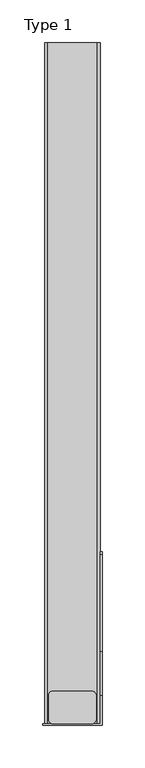
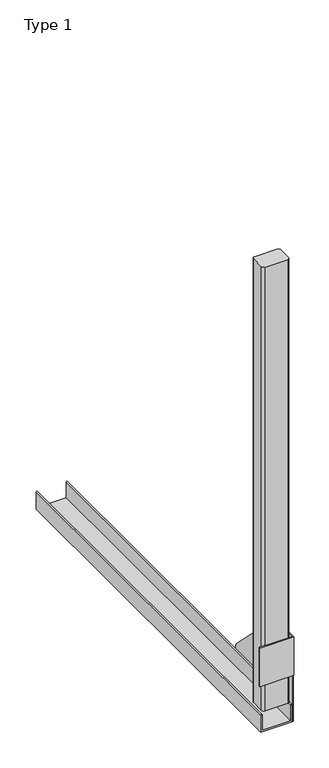
"""IFC4 building model written with IfcOpenShell, lengths in millimetres: railing geometry, Type 1."""

from ifc_helpers import new_model, si_unit, point, frame, frame_2d, origin, place, context, project, spatial, polyline, circle_curve, trimmed, segment, composite_curve, outline, extrude, source, transform, mapped, element, save
from ifc_brep_helpers import plane_surface, cylinder_surface, revolved_surface, advanced_brep


def type_1_41849694(model_context):
    return source(origin(), model_context, "Body", "SolidModel", [
        advanced_brep(
        [(60.5, -800.0, 185.0), (60.5, -767.1999123, 185.0), (60.5, -715.6668272, 163.6542972), (60.5, -601.4657725, 49.4532425), (60.5, -598.1818182, 41.5250755), (60.5, -598.1818182, 0.0), (60.5, -800.0, 0.0), (60.5, -800.0, 100.9768514), (60.5, -711.3075507, 93.0361974), (60.5, -700.0954295, 93.0361974), (60.5, -778.6969697, 171.6377376), (60.5, -784.3030303, 166.031677), (60.5, -784.3030303, 143.5676849), (60.5, -773.0909091, 143.5676849), (60.5, -773.0909091, 157.7293746), (60.5, -770.5995631, 159.9373618), (63.0, -800.0, 0.0), (63.0, -598.1818182, 0.0), (63.0, -598.1818182, 41.5250755), (63.0, -601.4657725, 49.4532425), (63.0, -715.6668272, 163.6542972), (63.0, -767.1999123, 185.0), (63.0, -802.0, 185.0), (63.0, -802.0, 100.9768514), (63.0, -800.0, 100.9768514), (63.0, -711.3075507, 93.0361974), (63.0, -770.5995631, 159.9373618), (63.0, -773.0909091, 157.7293746), (63.0, -773.0909091, 143.5676849), (63.0, -784.3030303, 143.5676849), (63.0, -784.3030303, 166.031677), (63.0, -778.6969697, 171.6377376), (63.0, -700.0954295, 93.0361974), (-7.0, -800.0, 185.0), (-7.0, -802.0, 185.0), (-7.0, -802.0, 100.9768514), (-7.0, -800.0, 100.9768514)],
        [
            (0, 1),
            (1, 2, circle_curve(frame((60.5, -767.1999123, 112.1212121), z_axis=(-1.0, 0.0, 0.0), x_axis=(0.0, -1.0, 0.0)), 72.8787879)),
            (2, 3),
            (3, 4, circle_curve(frame((60.5, -609.3939394, 41.5250755), z_axis=(-1.0, 0.0, 0.0), x_axis=(0.0, -1.0, 0.0)), 11.2121212)),
            (4, 5),
            (5, 6),
            (6, 7),
            (7, 0),
            (8, 9, circle_curve(frame((60.5, -705.7014901, 93.0361974), z_axis=(1.0, 0.0, 0.0), x_axis=(0.0, -1.0, 0.0)), 5.6060606)),
            (9, 10, circle_curve(frame((60.5, -778.6969697, 93.0361974), z_axis=(1.0, 0.0, 0.0), x_axis=(0.0, -1.0, 0.0)), 78.6015402)),
            (10, 11, circle_curve(frame((60.5, -778.6969697, 166.031677), z_axis=(1.0, 0.0, 0.0), x_axis=(0.0, -1.0, 0.0)), 5.6060606)),
            (11, 12),
            (12, 13, circle_curve(frame((60.5, -778.6969697, 143.5676849), z_axis=(1.0, 0.0, 0.0), x_axis=(0.0, -1.0, 0.0)), 5.6060606)),
            (13, 14),
            (14, 15, circle_curve(frame((60.5, -770.8668077, 157.7293746), z_axis=(-1.0, 0.0, 0.0), x_axis=(0.0, -1.0, 0.0)), 2.2241014)),
            (15, 8, circle_curve(frame((60.5, -778.6969697, 93.0361974), z_axis=(-1.0, 0.0, 0.0), x_axis=(0.0, -1.0, 0.0)), 67.389419)),
            (16, 17),
            (17, 18),
            (18, 19, circle_curve(frame((63.0, -609.3939394, 41.5250755), z_axis=(1.0, 0.0, 0.0), x_axis=(0.0, -1.0, 0.0)), 11.2121212)),
            (19, 20),
            (20, 21, circle_curve(frame((63.0, -767.1999123, 112.1212121), z_axis=(1.0, 0.0, 0.0), x_axis=(0.0, -1.0, 0.0)), 72.8787879)),
            (21, 22),
            (22, 23),
            (23, 24),
            (24, 16),
            (25, 26, circle_curve(frame((63.0, -778.6969697, 93.0361974), z_axis=(1.0, 0.0, 0.0), x_axis=(0.0, -1.0, 0.0)), 67.389419)),
            (26, 27, circle_curve(frame((63.0, -770.8668077, 157.7293746), z_axis=(1.0, 0.0, 0.0), x_axis=(0.0, -1.0, 0.0)), 2.2241014)),
            (27, 28),
            (28, 29, circle_curve(frame((63.0, -778.6969697, 143.5676849), z_axis=(-1.0, 0.0, 0.0), x_axis=(0.0, -1.0, 0.0)), 5.6060606)),
            (29, 30),
            (30, 31, circle_curve(frame((63.0, -778.6969697, 166.031677), z_axis=(-1.0, 0.0, 0.0), x_axis=(0.0, -1.0, 0.0)), 5.6060606)),
            (31, 32, circle_curve(frame((63.0, -778.6969697, 93.0361974), z_axis=(-1.0, 0.0, 0.0), x_axis=(0.0, -1.0, 0.0)), 78.6015402)),
            (32, 25, circle_curve(frame((63.0, -705.7014901, 93.0361974), z_axis=(-1.0, 0.0, 0.0), x_axis=(0.0, -1.0, 0.0)), 5.6060606)),
            (0, 33),
            (33, 34),
            (34, 22),
            (21, 1),
            (20, 2),
            (19, 3),
            (18, 4),
            (17, 5),
            (16, 6),
            (24, 7),
            (8, 25),
            (32, 9),
            (31, 10),
            (30, 11),
            (15, 26),
            (29, 12),
            (28, 13),
            (27, 14),
            (34, 35),
            (35, 23),
            (36, 33),
            (7, 36),
            (36, 35),
        ],
        [
            plane_surface(frame((60.5, -798.2270223, 185.0), z_axis=(-1.0, 0.0, 0.0), x_axis=(0.0, 1.0, 0.0))),
            plane_surface(frame((63.0, -798.2270223, 185.0), z_axis=(1.0, 0.0, 0.0), x_axis=(0.0, -1.0, 0.0))),
            plane_surface(frame((60.5, -800.0, 185.0), z_axis=(0.0, 0.0, 1.0), x_axis=(1.0, 0.0, 0.0))),
            cylinder_surface(frame((63.0, -767.1999123, 112.1212121), z_axis=(-1.0, 0.0, 0.0), x_axis=(0.0, -1.0, 0.0)), 72.8787879),
            plane_surface(frame((60.5, -715.6668272, 163.6542972), z_axis=(0.0, 0.7071067811865421, 0.7071067811865529), x_axis=(1.0, 0.0, 0.0))),
            cylinder_surface(frame((63.0, -609.3939394, 41.5250755), z_axis=(-1.0, 0.0, 0.0), x_axis=(0.0, -1.0, 0.0)), 11.2121212),
            plane_surface(frame((60.5, -598.1818182, 41.5250755), z_axis=(0.0, 1.0, 0.0), x_axis=(1.0, 0.0, 0.0))),
            plane_surface(frame((60.5, -598.1818182, 0.0), z_axis=(0.0, 0.0, -1.0), x_axis=(1.0, 0.0, 0.0))),
            plane_surface(frame((60.5, -800.0, 0.0), z_axis=(0.0, -1.0, 0.0), x_axis=(1.0, 0.0, 0.0))),
            revolved_surface(polyline([(63.0, -711.3075507, 93.0361974), (60.5, -711.3075507, 93.0361974)]), (63.0, -705.7014901, 93.0361974), (1.0, 0.0, 0.0)),
            revolved_surface(polyline([(63.0, -857.2985099, 93.0361974), (60.5, -857.2985099, 93.0361974)]), (63.0, -778.6969697, 93.0361974), (1.0, 0.0, 0.0)),
            revolved_surface(polyline([(63.0, -784.3030302999999, 166.031677), (60.5, -784.3030302999999, 166.031677)]), (63.0, -778.6969697, 166.031677), (1.0, 0.0, 0.0)),
            cylinder_surface(frame((63.0, -778.6969697, 93.0361974), z_axis=(-1.0, 0.0, 0.0), x_axis=(0.0, -1.0, 0.0)), 67.389419),
            plane_surface(frame((60.5, -784.3030303, 166.031677), z_axis=(0.0, 1.0, 0.0), x_axis=(1.0, 0.0, 0.0))),
            revolved_surface(polyline([(63.0, -784.3030302999999, 143.5676849), (60.5, -784.3030302999999, 143.5676849)]), (63.0, -778.6969697, 143.5676849), (1.0, 0.0, 0.0)),
            plane_surface(frame((60.5, -773.0909091, 143.5676849), z_axis=(0.0, -1.0, 0.0), x_axis=(1.0, 0.0, 0.0))),
            cylinder_surface(frame((63.0, -770.8668077, 157.7293746), z_axis=(-1.0, 0.0, 0.0), x_axis=(0.0, -1.0, 0.0)), 2.2241014),
            plane_surface(frame((-7.0, -802.0, 185.0), z_axis=(0.0, -1.0, 0.0), x_axis=(-1.0, 0.0, 0.0))),
            plane_surface(frame((-7.0, -800.0, 185.0), z_axis=(0.0, 1.0, 0.0), x_axis=(1.0, 0.0, 0.0))),
            plane_surface(frame((-7.0, -802.0, 185.0), z_axis=(-1.0, 0.0, 0.0), x_axis=(0.0, 1.0, 0.0))),
            plane_surface(frame((-7.0, -802.0, 100.9768514), z_axis=(0.0, 0.0, -1.0), x_axis=(0.0, 1.0, 0.0))),
        ],
        [
            (0, [[1, 2, 3, 4, 5, 6, 7, 8], [9, 10, 11, 12, 13, 14, 15, 16]]),
            (1, [[17, 18, 19, 20, 21, 22, 23, 24, 25], [26, 27, 28, 29, 30, 31, 32, 33]]),
            (2, [[-1, 34, 35, 36, -22, 37]]),
            (3, [[-2, -37, -21, 38]]),
            (4, [[-3, -38, -20, 39]]),
            (5, [[-4, -39, -19, 40]]),
            (6, [[-5, -40, -18, 41]]),
            (7, [[-6, -41, -17, 42]]),
            (8, [[-42, -25, 43, -7]]),
            (9, [[-9, 44, -33, 45]]),
            (10, [[-10, -45, -32, 46]]),
            (11, [[-11, -46, -31, 47]]),
            (12, [[-16, 48, -26, -44]]),
            (13, [[-12, -47, -30, 49]]),
            (14, [[-13, -49, -29, 50]]),
            (15, [[-14, -50, -28, 51]]),
            (16, [[-15, -51, -27, -48]]),
            (17, [[-36, 52, 53, -23]]),
            (18, [[54, -34, -8, 55]]),
            (19, [[-52, -35, -54, 56]]),
            (20, [[-53, -56, -55, -43, -24]]),
        ],
    ),
        extrude(outline(composite_curve([segment(trimmed(circle_curve(frame_2d((5.0, -795.0)), 5.0), [point((5.0, -800.0))], [point((0.0, -795.0))], False, "CARTESIAN"), True, "CONTINUOUS"), segment(polyline([(0.0, -795.0), (0.0, -767.0)]), True, "CONTINUOUS"), segment(trimmed(circle_curve(frame_2d((5.0, -767.0)), 5.0), [point((0.0, -767.0))], [point((5.0, -762.0))], False, "CARTESIAN"), True, "CONTINUOUS"), segment(polyline([(5.0, -762.0), (51.0, -762.0)]), True, "CONTINUOUS"), segment(trimmed(circle_curve(frame_2d((51.0, -767.0)), 5.0), [point((51.0, -762.0))], [point((56.0, -767.0))], False, "CARTESIAN"), True, "CONTINUOUS"), segment(polyline([(56.0, -767.0), (56.0, -795.0)]), True, "CONTINUOUS"), segment(trimmed(circle_curve(frame_2d((51.0, -795.0)), 5.0), [point((56.0, -795.0))], [point((51.0, -800.0))], False, "CARTESIAN"), True, "CONTINUOUS"), segment(polyline([(51.0, -800.0), (5.0, -800.0)]), True, "CONTINUOUS")], self_intersect=False)), frame((0.0, 0.0, 43.0), z_axis=(0.0, 0.0, 1.0), x_axis=(1.0, 0.0, 0.0)), (0.0, 0.0, 1.0), 965.0),
        extrude(outline(composite_curve([segment(polyline([(0.0, 60.5), (36.5, 60.5)]), True, "CONTINUOUS"), segment(trimmed(circle_curve(frame_2d((36.5, 59.0)), 1.5), [point((36.5, 60.5))], [point((36.5, 57.5))], False, "CARTESIAN"), True, "CONTINUOUS"), segment(polyline([(36.5, 57.5), (3.0, 57.5), (3.0, -1.5), (36.5, -1.5)]), True, "CONTINUOUS"), segment(trimmed(circle_curve(frame_2d((36.5, -3.0)), 1.5), [point((36.5, -1.5))], [point((36.5, -4.5))], False, "CARTESIAN"), True, "CONTINUOUS"), segment(polyline([(36.5, -4.5), (0.0, -4.5), (0.0, 60.5)]), True, "CONTINUOUS")], self_intersect=False)), frame((0.0, -800.0, 0.0), z_axis=(0.0, 1.0, 0.0), x_axis=(0.0, 0.0, 1.0)), (0.0, 0.0, 1.0), 800.0),
    ])


if __name__ == "__main__":
    model = new_model("IFC4")
    model_context = context("Model", 3, world=origin())
    ifc_project = project(units=[si_unit("LENGTHUNIT", "METRE", prefix="MILLI")], contexts=[model_context])
    site = spatial("IfcSite", under=ifc_project)
    building = spatial("IfcBuilding", under=site)
    placement = place(None, origin())
    type_1_shape = type_1_41849694(model_context)
    element("IfcRailing", 1, ObjectType="Type 1", at=placement, inside=building, context=model_context, shape_type="MappedRepresentation", body=[
        mapped(type_1_shape, transform((0.0, 0.0, 0.0), x_axis=(1.0, 0.0, 0.0), y_axis=(0.0, 1.0, 0.0), z_axis=(0.0, 0.0, 1.0))),
    ])
    save(model, "model.ifc")
